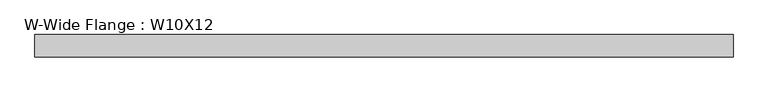
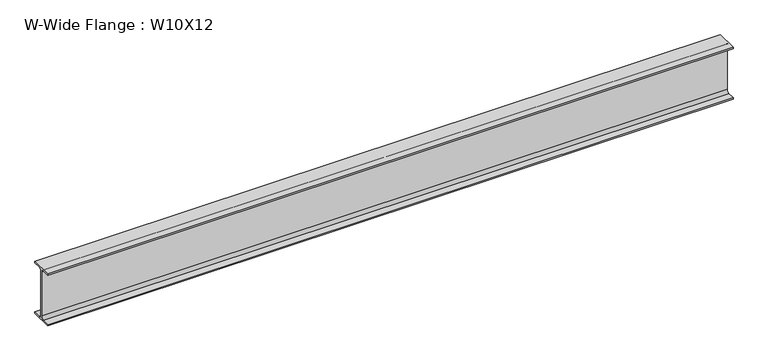
"""IFC4 building model written with IfcOpenShell, lengths in millimetres: beam geometry, W-Wide Flange : W10X12."""

import ifcopenshell
import ifcopenshell.guid

model = None  # the IFC model being written
_history = None  # IfcOwnerHistory: only IFC2X3 demands one
_inside = {}  # id of a spatial element -> (the spatial element, [elements in it])
_under = {}  # id of a project, library or spatial element -> (it, [spatial elements below it])
_declared = {}  # id of a project -> (the project, [libraries it declares])
_typed = {}  # id of a type object -> (the type object, [elements of that type])
_made_of = {}  # id of a material, layer set ... -> (it, [elements and type objects made of it])


def new_model(schema):
    """Start an empty IFC model of exactly this schema.

    Asked for "IFC4X3", IfcOpenShell would pick the latest addendum, in which some entities
    have other attributes; the version numbers below select the first issue.
    IFC2X3 requires an IfcOwnerHistory on every rooted entity: one is made here for all.
    """
    global model, _history
    if schema == "IFC4X3":
        model = ifcopenshell.file(schema_version=(4, 3, 0, 0))
    else:
        model = ifcopenshell.file(schema=schema)
    _inside.clear()
    _under.clear()
    _declared.clear()
    _typed.clear()
    _made_of.clear()
    _history = None
    if model.schema == "IFC2X3":
        org = make("IfcOrganization", Name="unknown")
        user = make(
            "IfcPersonAndOrganization",
            ThePerson=make("IfcPerson", FamilyName="unknown"),
            TheOrganization=org,
        )
        app = make(
            "IfcApplication",
            ApplicationDeveloper=org,
            Version="unknown",
            ApplicationFullName="unknown",
            ApplicationIdentifier="unknown",
        )
        _history = make(
            "IfcOwnerHistory",
            OwningUser=user,
            OwningApplication=app,
            ChangeAction="ADDED",
            CreationDate=0,
        )
    return model


def make(cls, **values):
    """One entity of the class cls with the attributes given. An attribute that is None is left unset."""
    return model.create_entity(
        cls, **{name: value for name, value in values.items() if value is not None}
    )


def rooted(cls, **values):
    """An entity with a GlobalId (a new one), such as an element, a storey or a relation."""
    return make(cls, GlobalId=ifcopenshell.guid.new(), OwnerHistory=_history, **values)


def si_unit(unit_type, name, prefix=None):
    """IfcSIUnit, for example si_unit("LENGTHUNIT", "METRE", prefix="MILLI")."""
    return make("IfcSIUnit", UnitType=unit_type, Prefix=prefix, Name=name)


def assignment(units):
    """IfcUnitAssignment: the units of a project."""
    return None if units is None else make("IfcUnitAssignment", Units=units)


def point(xyz):
    """IfcCartesianPoint."""
    return None if xyz is None else make("IfcCartesianPoint", Coordinates=xyz)


def direction(xyz):
    """IfcDirection."""
    return None if xyz is None else make("IfcDirection", DirectionRatios=xyz)


def frame(location, z_axis=None, x_axis=None):
    """IfcAxis2Placement3D, a coordinate frame: its origin and axes. An axis left out is left unset."""
    return make(
        "IfcAxis2Placement3D",
        Location=point(location),
        Axis=direction(z_axis),
        RefDirection=direction(x_axis),
    )


def frame_2d(location, x_axis=None):
    """IfcAxis2Placement2D, a coordinate frame in the plane: its origin and x axis."""
    return make(
        "IfcAxis2Placement2D", Location=point(location), RefDirection=direction(x_axis)
    )


def origin():
    """The frame at (0, 0, 0) with its axes left unset."""
    return frame((0.0, 0.0, 0.0))


def place(relative_to, where):
    """IfcLocalPlacement: puts the frame where relative to a parent placement (None: the world)."""
    return make(
        "IfcLocalPlacement", PlacementRelTo=relative_to, RelativePlacement=where
    )


def context(
    kind, dimensions, precision=None, world=None, true_north=None, identifier=None
):
    """IfcGeometricRepresentationContext, for example the 3D "Model" context."""
    return make(
        "IfcGeometricRepresentationContext",
        ContextIdentifier=identifier,
        ContextType=kind,
        CoordinateSpaceDimension=dimensions,
        Precision=precision,
        WorldCoordinateSystem=world,
        TrueNorth=true_north,
    )


def project(units=None, contexts=None):
    """IfcProject with its units and contexts."""
    return rooted(
        "IfcProject",
        Name="project",
        RepresentationContexts=contexts,
        UnitsInContext=assignment(units),
    )


def spatial(cls, under=None, at=None, **own):
    """A site, building, storey or space (cls), placed at a placement, below another one or the project."""
    s = rooted(cls, ObjectPlacement=at, **own)
    if under is not None:
        _under.setdefault(under.id(), (under, []))[1].append(s)
    return s


def polyline(points):
    """IfcPolyline through the points."""
    return make("IfcPolyline", Points=[point(p) for p in points])


def circle_curve(where, radius):
    """IfcCircle in the frame where."""
    return make("IfcCircle", Position=where, Radius=radius)


def trimmed(basis, trim1, trim2, sense, master):
    """IfcTrimmedCurve: the piece of a basis curve between two trims."""
    return make(
        "IfcTrimmedCurve",
        BasisCurve=basis,
        Trim1=trim1,
        Trim2=trim2,
        SenseAgreement=sense,
        MasterRepresentation=master,
    )


def segment(curve, same_sense, transition):
    """IfcCompositeCurveSegment."""
    return make(
        "IfcCompositeCurveSegment",
        Transition=transition,
        SameSense=same_sense,
        ParentCurve=curve,
    )


def composite_curve(segments, self_intersect=None):
    """IfcCompositeCurve: segments joined end to end."""
    return make("IfcCompositeCurve", Segments=segments, SelfIntersect=self_intersect)


def outline(outer, holes=None, kind="AREA"):
    """IfcArbitraryClosedProfileDef: a profile drawn as a closed curve; with holes, ...WithVoids."""
    if holes is None:
        return make("IfcArbitraryClosedProfileDef", ProfileType=kind, OuterCurve=outer)
    return make(
        "IfcArbitraryProfileDefWithVoids",
        ProfileType=kind,
        OuterCurve=outer,
        InnerCurves=holes,
    )


def extrude(swept, where, along, depth):
    """IfcExtrudedAreaSolid: the profile swept, set in the frame where, extruded along a direction by depth."""
    return make(
        "IfcExtrudedAreaSolid",
        SweptArea=swept,
        Position=where,
        ExtrudedDirection=direction(along),
        Depth=depth,
    )


def shape(context_of_items, identifier, shape_type, items):
    """IfcShapeRepresentation: the items that make up one representation, for example the "Body"."""
    return make(
        "IfcShapeRepresentation",
        ContextOfItems=context_of_items,
        RepresentationIdentifier=identifier,
        RepresentationType=shape_type,
        Items=items,
    )


def source(mapping_origin, context_of_items, identifier, shape_type, items):
    """IfcRepresentationMap: a shape defined once, which mapped items show again and again."""
    return make(
        "IfcRepresentationMap",
        MappingOrigin=mapping_origin,
        MappedRepresentation=shape(context_of_items, identifier, shape_type, items),
    )


def transform(
    local_origin,
    x_axis=None,
    y_axis=None,
    z_axis=None,
    scale=None,
    scale2=None,
    scale3=None,
    uniform=True,
):
    """IfcCartesianTransformationOperator3D, or its non-uniform kind. x_axis, y_axis, z_axis: its Axis1, 2, 3."""
    if uniform:
        return make(
            "IfcCartesianTransformationOperator3D",
            Axis1=direction(x_axis),
            Axis2=direction(y_axis),
            LocalOrigin=point(local_origin),
            Scale=scale,
            Axis3=direction(z_axis),
        )
    return make(
        "IfcCartesianTransformationOperator3DnonUniform",
        Axis1=direction(x_axis),
        Axis2=direction(y_axis),
        LocalOrigin=point(local_origin),
        Scale=scale,
        Axis3=direction(z_axis),
        Scale2=scale2,
        Scale3=scale3,
    )


def mapped(mapping_source, mapping_target):
    """IfcMappedItem: shows the shape of a source again, moved by a transform."""
    return make(
        "IfcMappedItem", MappingSource=mapping_source, MappingTarget=mapping_target
    )


def made_of(thing, what):
    """Note that an element or type object is made of a material, layer set ...; save() writes the relation."""
    if what is not None:
        _made_of.setdefault(what.id(), (what, []))[1].append(thing)
    return thing


def element(
    cls,
    number,
    at=None,
    inside=None,
    cuts=None,
    type_object=None,
    material=None,
    context=None,
    identifier="Body",
    shape_type=None,
    held_by="IfcProductDefinitionShape",
    body=None,
    shapes=None,
    **own,
):
    """One element of the class cls, such as IfcWall. Its Tag is "e" and its number.

    at: its placement. inside: the storey or other place that contains it. cuts: it is an
    opening in that element (IfcRelVoidsElement). A single representation is given by context,
    identifier, shape_type and body (its items); several are given by shapes. held_by: the class
    of the entity that holds the representations. save() writes the other relations.
    """
    e = rooted(cls, Tag="e%d" % number, ObjectPlacement=at, **own)
    if body is not None:
        shapes = [shape(context, identifier, shape_type, body)]
    if shapes is not None:
        e.Representation = make(held_by, Representations=shapes)
    if inside is not None:
        _inside.setdefault(inside.id(), (inside, []))[1].append(e)
    if cuts is not None:
        rooted(
            "IfcRelVoidsElement", RelatingBuildingElement=cuts, RelatedOpeningElement=e
        )
    if type_object is not None:
        _typed.setdefault(type_object.id(), (type_object, []))[1].append(e)
    return made_of(e, material)


def aggregate(whole, parts):
    """IfcRelAggregates: a whole, such as a stair, and the parts it consists of."""
    return rooted("IfcRelAggregates", RelatingObject=whole, RelatedObjects=parts)


def save(model, path):
    """Write the relations noted so far, then the file.

    IfcRelAggregates (storeys below a building ...), IfcRelContainedInSpatialStructure (elements
    in a storey), IfcRelDefinesByType, IfcRelAssociatesMaterial and IfcRelDeclares: one each for
    every whole, place, type object, material and project.
    """
    for whole, parts in _under.values():
        aggregate(whole, parts)
    for where, things in _inside.values():
        rooted(
            "IfcRelContainedInSpatialStructure",
            RelatedElements=things,
            RelatingStructure=where,
        )
    for kind, things in _typed.values():
        rooted("IfcRelDefinesByType", RelatedObjects=things, RelatingType=kind)
    for what, things in _made_of.values():
        rooted("IfcRelAssociatesMaterial", RelatedObjects=things, RelatingMaterial=what)
    for by, libraries in _declared.values():
        rooted("IfcRelDeclares", RelatingContext=by, RelatedDefinitions=libraries)
    model.write(path)


def w_wide_flange_w10x12_0e8121a3(model_context):
    return source(origin(), model_context, "Body", "SweptSolid", [
        extrude(outline(composite_curve([segment(polyline([(50.3039062, -120.0050781), (50.3039062, -125.3628906), (-50.3039063, -125.3628906), (-50.3039063, -120.0050781), (-16.1230469, -120.0050781)]), True, "CONTINUOUS"), segment(trimmed(circle_curve(frame_2d((-16.1230469, -106.3128906)), 13.6921875), [point((-16.1230469, -120.0050781))], [point((-2.4308594, -106.3128906))], True, "CARTESIAN"), True, "CONTINUOUS"), segment(polyline([(-2.4308594, -106.3128906), (-2.4308594, 106.3128906)]), True, "CONTINUOUS"), segment(trimmed(circle_curve(frame_2d((-16.1230469, 106.3128906)), 13.6921875), [point((-2.4308594, 106.3128906))], [point((-16.1230469, 120.0050781))], True, "CARTESIAN"), True, "CONTINUOUS"), segment(polyline([(-16.1230469, 120.0050781), (-50.3039063, 120.0050781), (-50.3039063, 125.3628906), (50.3039062, 125.3628906), (50.3039062, 120.0050781), (16.1230469, 120.0050781)]), True, "CONTINUOUS"), segment(trimmed(circle_curve(frame_2d((16.1230469, 106.3128906)), 13.6921875), [point((16.1230469, 120.0050781))], [point((2.4308594, 106.3128906))], True, "CARTESIAN"), True, "CONTINUOUS"), segment(polyline([(2.4308594, 106.3128906), (2.4308594, -106.3128906)]), True, "CONTINUOUS"), segment(trimmed(circle_curve(frame_2d((16.1230469, -106.3128906)), 13.6921875), [point((2.4308594, -106.3128906))], [point((16.1230469, -120.0050781))], True, "CARTESIAN"), True, "CONTINUOUS"), segment(polyline([(16.1230469, -120.0050781), (50.3039062, -120.0050781)]), True, "CONTINUOUS")], self_intersect=False)), frame((-1574.8, 0.0, 0.0), z_axis=(1.0, 0.0, 0.0), x_axis=(0.0, 1.0, 0.0)), (0.0, 0.0, 1.0), 3149.6),
    ])


if __name__ == "__main__":
    model = new_model("IFC4")
    model_context = context("Model", 3, world=origin())
    ifc_project = project(units=[si_unit("LENGTHUNIT", "METRE", prefix="MILLI")], contexts=[model_context])
    site = spatial("IfcSite", under=ifc_project)
    building = spatial("IfcBuilding", under=site)
    placement = place(None, origin())
    w_wide_flange_w10x12_shape = w_wide_flange_w10x12_0e8121a3(model_context)
    element("IfcBeam", 1, ObjectType="W-Wide Flange : W10X12", at=placement, inside=building, context=model_context, shape_type="MappedRepresentation", body=[
        mapped(w_wide_flange_w10x12_shape, transform((0.0, 0.0, 0.0), x_axis=(1.0, 0.0, 0.0), y_axis=(0.0, 1.0, 0.0), z_axis=(0.0, 0.0, 1.0))),
    ])
    save(model, "model.ifc")
